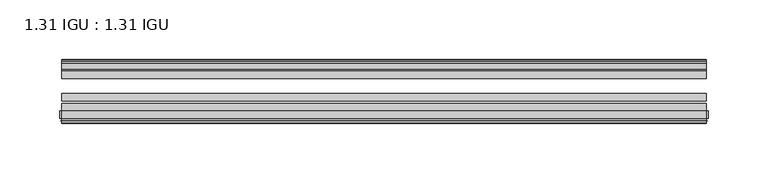
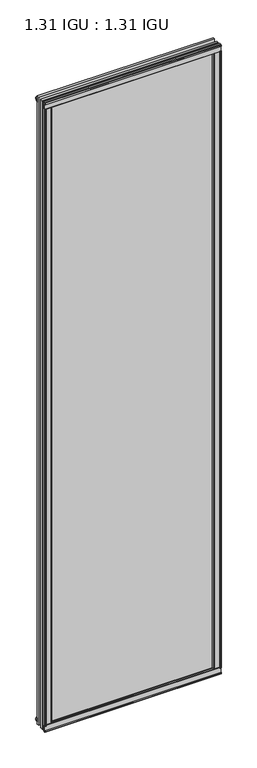
"""IFC4 building model written with IfcOpenShell, lengths in millimetres: plate geometry, 1.31 IGU : 1.31 IGU."""

from ifc_helpers import new_model, si_unit, point, frame, frame_2d, origin, origin_with_axes, place, context, project, spatial, polyline, circle_curve, trimmed, segment, composite_curve, outline, extrude, source, transform, mapped, element, save


def plate_1_31_igu_1_31_igu_6867614c(model_context):
    return source(origin(), model_context, "Body", "SweptSolid", [
        extrude(outline(polyline([(257.1656485, -11.1943457), (255.7636151, -11.5700195), (255.533525, -10.7113114), (257.946525, -10.06475), (260.359525, -10.7113114), (260.1294349, -11.5700195), (258.7274015, -11.1943457), (259.343525, -13.49375), (263.0220991, -13.49375), (263.0220991, -18.1284104), (261.5934544, -19.84375), (249.8807838, -19.84375), (251.596525, -13.49375), (256.549525, -13.49375), (257.1656485, -11.1943457)])), origin_with_axes(), (0.0, 0.0, 1.0), 1993.9),
        extrude(outline(polyline([(-257.1656485, -11.1943457), (-256.549525, -13.49375), (-251.596525, -13.49375), (-249.8807838, -19.84375), (-261.5934544, -19.84375), (-263.0220991, -18.1284104), (-263.0220991, -13.49375), (-259.343525, -13.49375), (-258.7274015, -11.1943457), (-260.1294349, -11.5700195), (-260.359525, -10.7113114), (-257.946525, -10.06475), (-255.533525, -10.7113114), (-255.7636151, -11.5700195), (-257.1656485, -11.1943457)])), origin_with_axes(), (0.0, 0.0, 1.0), 1993.9),
        extrude(outline(polyline([(-13.49375, -5.7276998), (-11.1943457, -6.3438233), (-11.5700195, -4.9417899), (-10.7113114, -4.7116998), (-10.06475, -7.1246998), (-10.7113114, -9.5376998), (-11.5700195, -9.3076097), (-11.1943457, -7.9055763), (-13.49375, -8.5216998), (-13.49375, -12.2002739), (-18.1284104, -12.2002739), (-19.84375, -10.7716292), (-19.84375, 0.9410414), (-13.49375, -0.7746998), (-13.49375, -5.7276998)])), frame((-269.859125, 0.0, 0.0), z_axis=(1.0, 0.0, 0.0), x_axis=(0.0, 1.0, 0.0)), (0.0, 0.0, 1.0), 539.71825),
        extrude(outline(composite_curve([segment(polyline([(-55.9719113, 2.457708), (-53.16855, 3.0868452), (-53.16855, -20.9097918), (-59.51855, -20.9097918), (-59.51855, -18.6868471), (-62.0391488, -18.0752025), (-61.5965021, -19.0933159), (-61.5965021, -19.98942), (-63.2729251, -17.4063265), (-61.3290281, -15.2058028), (-61.3290281, -16.0360741), (-61.9417436, -16.9618553), (-59.51855, -16.8077164), (-59.51855, 0.6826418)]), True, "CONTINUOUS"), segment(trimmed(circle_curve(frame_2d((-58.24855, 0.6826418)), 1.27), [point((-59.51855, 0.6826418))], [point((-58.6007815, 1.9028193))], False, "CARTESIAN"), True, "CONTINUOUS"), segment(polyline([(-58.6007815, 1.9028193), (-55.9719113, 2.457708)]), True, "CONTINUOUS")], self_intersect=False)), frame((-269.859125, 0.0, 0.0), z_axis=(1.0, 0.0, 0.0), x_axis=(0.0, 1.0, 0.0)), (0.0, 0.0, 1.0), 539.71825),
        extrude(outline(polyline([(-13.49375, 1999.6276998), (-13.49375, 1994.6746998), (-19.84375, 1992.9589586), (-19.84375, 2004.6716292), (-18.1284104, 2006.1002739), (-13.49375, 2006.1002739), (-13.49375, 2002.4216998), (-11.1943457, 2001.8055763), (-11.5700195, 2003.2076097), (-10.7113114, 2003.4376998), (-10.06475, 2001.0246998), (-10.7113114, 1998.6116998), (-11.5700195, 1998.8417899), (-11.1943457, 2000.2438233), (-13.49375, 1999.6276998)])), frame((-269.859125, 0.0, 0.0), z_axis=(1.0, 0.0, 0.0), x_axis=(0.0, 1.0, 0.0)), (0.0, 0.0, 1.0), 539.71825),
        extrude(outline(composite_curve([segment(polyline([(-55.9719113, 1991.442292), (-58.6007815, 1991.9971807)]), True, "CONTINUOUS"), segment(trimmed(circle_curve(frame_2d((-58.24855, 1993.2173582)), 1.27), [point((-58.6007815, 1991.9971807))], [point((-59.51855, 1993.2173582))], False, "CARTESIAN"), True, "CONTINUOUS"), segment(polyline([(-59.51855, 1993.2173582), (-59.51855, 2010.7077164), (-61.9417436, 2010.8618553), (-61.3290281, 2009.9360741), (-61.3290281, 2009.1058028), (-63.2729251, 2011.3063265), (-61.5965021, 2013.88942), (-61.5965021, 2012.9933159), (-62.0391488, 2011.9752025), (-59.51855, 2012.5868471), (-59.51855, 2014.8097918), (-53.16855, 2014.8097918), (-53.16855, 1990.8131548), (-55.9719113, 1991.442292)]), True, "CONTINUOUS")], self_intersect=False)), frame((-269.859125, 0.0, 0.0), z_axis=(1.0, 0.0, 0.0), x_axis=(0.0, 1.0, 0.0)), (0.0, 0.0, 1.0), 539.71825),
        extrude(outline(composite_curve([segment(polyline([(-268.2281517, -63.2729251), (-270.8112452, -61.5965021), (-269.9151411, -61.5965021), (-268.8970277, -62.0391488), (-269.5086723, -59.51855), (-271.731617, -59.51855), (-271.731617, -53.16855), (-247.73498, -53.16855), (-248.3641172, -55.9719113), (-248.9190059, -58.6007815)]), True, "CONTINUOUS"), segment(trimmed(circle_curve(frame_2d((-250.1391834, -58.24855)), 1.27), [point((-248.9190059, -58.6007815))], [point((-250.1391834, -59.51855))], False, "CARTESIAN"), True, "CONTINUOUS"), segment(polyline([(-250.1391834, -59.51855), (-267.6295416, -59.51855), (-267.7836805, -61.9417436), (-266.8578993, -61.3290281), (-266.0463713, -61.3290281), (-268.2281517, -63.2729251)]), True, "CONTINUOUS")], self_intersect=False)), origin_with_axes(), (0.0, 0.0, 1.0), 1993.9),
        extrude(outline(composite_curve([segment(polyline([(268.2281517, -63.2729251), (266.0463713, -61.3290281), (266.8578993, -61.3290281), (267.7836805, -61.9417436), (267.6295416, -59.51855), (250.1391834, -59.51855)]), True, "CONTINUOUS"), segment(trimmed(circle_curve(frame_2d((250.1391834, -58.24855)), 1.27), [point((250.1391834, -59.51855))], [point((248.9190059, -58.6007815))], False, "CARTESIAN"), True, "CONTINUOUS"), segment(polyline([(248.9190059, -58.6007815), (248.3641172, -55.9719113), (247.73498, -53.16855), (271.731617, -53.16855), (271.731617, -59.51855), (269.5086723, -59.51855), (268.8970277, -62.0391488), (269.9151411, -61.5965021), (270.8112452, -61.5965021), (268.2281517, -63.2729251)]), True, "CONTINUOUS")], self_intersect=False)), origin_with_axes(), (0.0, 0.0, 1.0), 1993.9),
        extrude(outline(polyline([(269.859125, -19.84375), (269.859125, -26.14295), (-269.859125, -26.14295), (-269.859125, -19.84375), (269.859125, -19.84375)])), frame((0.0, 0.0, -19.05), z_axis=(0.0, 0.0, 1.0), x_axis=(1.0, 0.0, 0.0)), (0.0, 0.0, 1.0), 2032.0),
        extrude(outline(polyline([(-269.859125, -44.83735), (-269.859125, -38.53815), (269.859125, -38.53815), (269.859125, -44.83735), (-269.859125, -44.83735)])), frame((0.0, 0.0, -19.05), z_axis=(0.0, 0.0, 1.0), x_axis=(1.0, 0.0, 0.0)), (0.0, 0.0, 1.0), 2032.0),
        extrude(outline(polyline([(-269.859125, -53.16855), (-269.859125, -46.86935), (269.859125, -46.86935), (269.859125, -53.16855), (-269.859125, -53.16855)])), frame((0.0, 0.0, -19.05), z_axis=(0.0, 0.0, 1.0), x_axis=(1.0, 0.0, 0.0)), (0.0, 0.0, 1.0), 2032.0),
    ])


if __name__ == "__main__":
    model = new_model("IFC4")
    model_context = context("Model", 3, world=origin())
    ifc_project = project(units=[si_unit("LENGTHUNIT", "METRE", prefix="MILLI")], contexts=[model_context])
    site = spatial("IfcSite", under=ifc_project)
    building = spatial("IfcBuilding", under=site)
    placement = place(None, origin())
    plate_1_31_igu_1_31_igu_shape = plate_1_31_igu_1_31_igu_6867614c(model_context)
    element("IfcPlate", 1, ObjectType="1.31 IGU : 1.31 IGU", at=placement, inside=building, context=model_context, shape_type="MappedRepresentation", body=[
        mapped(plate_1_31_igu_1_31_igu_shape, transform((0.0, 0.0, 0.0), x_axis=(1.0, 0.0, 0.0), y_axis=(0.0, 1.0, 0.0), z_axis=(0.0, 0.0, 1.0))),
    ])
    save(model, "model.ifc")
